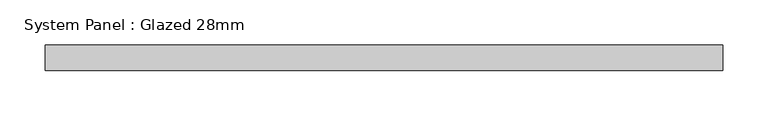
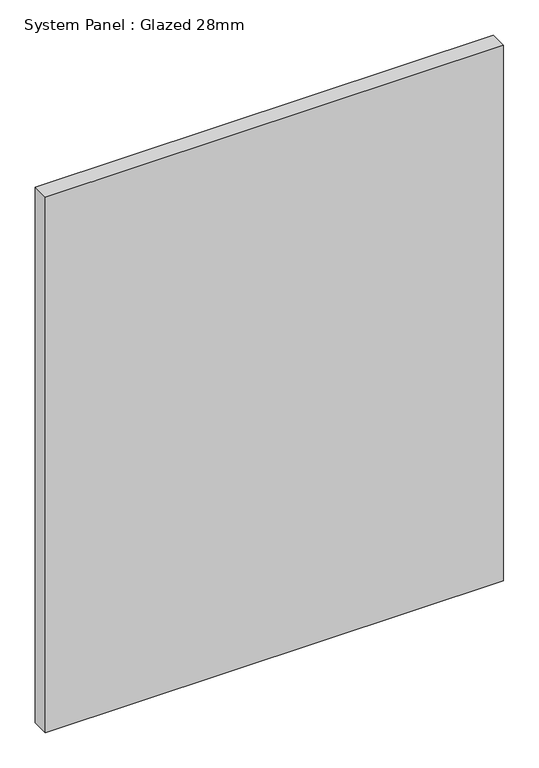
"""IFC4 building model written with IfcOpenShell, lengths in millimetres: plate geometry, System Panel : Glazed 28mm."""

from ifc_helpers import new_model, si_unit, origin, origin_with_axes, place, context, project, spatial, polyline, outline, extrude, source, transform, mapped, element, save


def system_panel_glazed_28mm_51035534(model_context):
    return source(origin(), model_context, "Body", "SweptSolid", [
        extrude(outline(polyline([(372.5468442, -14.0), (-372.5468442, -14.0), (-372.5468442, 14.0), (372.5468442, 14.0), (372.5468442, -14.0)])), origin_with_axes(), (0.0, 0.0, 1.0), 920.6650062),
    ])


if __name__ == "__main__":
    model = new_model("IFC4")
    model_context = context("Model", 3, world=origin())
    ifc_project = project(units=[si_unit("LENGTHUNIT", "METRE", prefix="MILLI")], contexts=[model_context])
    site = spatial("IfcSite", under=ifc_project)
    building = spatial("IfcBuilding", under=site)
    placement = place(None, origin())
    system_panel_glazed_28mm_shape = system_panel_glazed_28mm_51035534(model_context)
    element("IfcPlate", 1, ObjectType="System Panel : Glazed 28mm", at=placement, inside=building, context=model_context, shape_type="MappedRepresentation", body=[
        mapped(system_panel_glazed_28mm_shape, transform((0.0, 0.0, 0.0), x_axis=(1.0, 0.0, 0.0), y_axis=(0.0, 1.0, 0.0), z_axis=(0.0, 0.0, 1.0))),
    ])
    save(model, "model.ifc")
